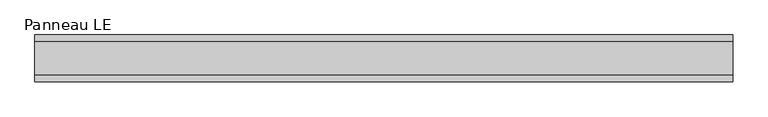
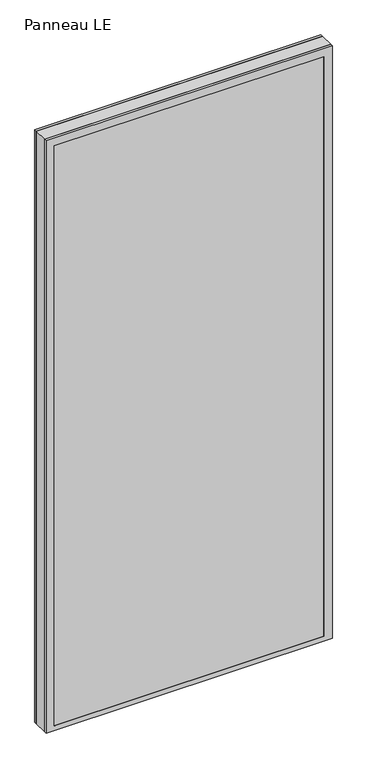
"""IFC4 building model written with IfcOpenShell, lengths in millimetres: plate geometry, Panneau LE."""

from ifc_helpers import new_model, si_unit, frame, origin, place, context, project, spatial, polyline, outline, extrude, faceted_brep, source, transform, mapped, element, save


def panneau_le_68ec12ca(model_context):
    return source(origin(), model_context, "Body", "SolidModel", [
        faceted_brep([(-671.0833334, 33.0, 2933.0), (-671.0833334, 45.0, 2933.0), (-671.0833334, 45.0, 0.0), (-671.0833334, 33.0, 0.0), (671.0833334, 33.0, 0.0), (671.0833334, 45.0, 0.0), (671.0833334, 45.0, 2933.0), (671.0833334, 33.0, 2933.0), (-632.0833334, 45.0, 2894.0), (-632.0833334, 45.0, 23.0), (632.0833334, 45.0, 23.0), (632.0833334, 45.0, 2894.0), (632.0833334, 43.8, 2894.0), (-632.0833334, 43.8, 2894.0), (-647.0833334, 43.8, 2909.0), (-647.0833334, 43.8, 8.0), (647.0833334, 43.8, 8.0), (647.0833334, 43.8, 2909.0), (632.0833334, 43.8, 23.0), (-632.0833334, 43.8, 23.0), (647.0833334, 33.0, 2909.0), (-647.0833334, 33.0, 2909.0), (647.0833334, 33.0, 8.0), (-647.0833334, 33.0, 8.0)], [[[0, 1, 2, 3]], [[4, 5, 6, 7]], [[6, 1, 0, 7]], [[2, 1, 6, 5], [8, 9, 10, 11]], [[8, 11, 12, 13]], [[14, 15, 16, 17], [13, 12, 18, 19]], [[14, 17, 20, 21]], [[0, 3, 4, 7], [20, 22, 23, 21]], [[23, 22, 16, 15]], [[19, 18, 10, 9]], [[4, 3, 2, 5]], [[21, 23, 15, 14]], [[13, 19, 9, 8]], [[18, 12, 11, 10]], [[22, 20, 17, 16]]]),
        faceted_brep([(-671.0833334, -33.0, 0.0), (-671.0833334, -45.0, 0.0), (-671.0833334, -45.0, 2933.0), (-671.0833334, -33.0, 2933.0), (671.0833334, -45.0, 0.0), (671.0833334, -33.0, 0.0), (671.0833334, -33.0, 2933.0), (671.0833334, -45.0, 2933.0), (632.0833334, -45.0, 2894.0), (632.0833334, -45.0, 23.0), (-632.0833334, -45.0, 23.0), (-632.0833334, -45.0, 2894.0), (-647.0833334, -33.0, 2909.0), (-647.0833334, -33.0, 8.0), (647.0833334, -33.0, 8.0), (647.0833334, -33.0, 2909.0), (647.0833334, -43.8, 2909.0), (-647.0833334, -43.8, 2909.0), (647.0833334, -43.8, 8.0), (-647.0833334, -43.8, 8.0), (-632.0833334, -43.8, 2894.0), (-632.0833334, -43.8, 23.0), (632.0833334, -43.8, 23.0), (632.0833334, -43.8, 2894.0)], [[[0, 1, 2, 3]], [[4, 5, 6, 7]], [[2, 1, 4, 7], [8, 9, 10, 11]], [[6, 3, 2, 7]], [[0, 3, 6, 5], [12, 13, 14, 15]], [[12, 15, 16, 17]], [[17, 16, 18, 19], [20, 21, 22, 23]], [[8, 11, 20, 23]], [[10, 9, 22, 21]], [[19, 18, 14, 13]], [[4, 1, 0, 5]], [[11, 10, 21, 20]], [[17, 19, 13, 12]], [[18, 16, 15, 14]], [[9, 8, 23, 22]]]),
        extrude(outline(polyline([(2933.0, 671.0833334), (2933.0, -671.0833334), (0.0, -671.0833334), (0.0, 671.0833334), (2933.0, 671.0833334)]), holes=[polyline([(30.0, -631.0833334), (2887.0, -631.0833334), (2887.0, 631.0833334), (30.0, 631.0833334), (30.0, -631.0833334)])]), frame((0.0, -33.0, 0.0), z_axis=(0.0, 1.0, 0.0), x_axis=(0.0, 0.0, 1.0)), (0.0, 0.0, 1.0), 66.0),
        extrude(outline(polyline([(647.0833334, 37.8), (-647.0833334, 37.8), (-647.0833334, 43.8), (647.0833334, 43.8), (647.0833334, 37.8)])), frame((0.0, 0.0, 8.0), z_axis=(0.0, 0.0, 1.0), x_axis=(1.0, 0.0, 0.0)), (0.0, 0.0, 1.0), 2901.0),
        extrude(outline(polyline([(-647.0833334, -43.8), (-647.0833334, -37.8), (647.0833334, -37.8), (647.0833334, -43.8), (-647.0833334, -43.8)])), frame((0.0, 0.0, 8.0), z_axis=(0.0, 0.0, 1.0), x_axis=(1.0, 0.0, 0.0)), (0.0, 0.0, 1.0), 2901.0),
    ])


if __name__ == "__main__":
    model = new_model("IFC4")
    model_context = context("Model", 3, world=origin())
    ifc_project = project(units=[si_unit("LENGTHUNIT", "METRE", prefix="MILLI")], contexts=[model_context])
    site = spatial("IfcSite", under=ifc_project)
    building = spatial("IfcBuilding", under=site)
    placement = place(None, origin())
    panneau_le_shape = panneau_le_68ec12ca(model_context)
    element("IfcPlate", 1, ObjectType="Panneau LE", at=placement, inside=building, context=model_context, shape_type="MappedRepresentation", body=[
        mapped(panneau_le_shape, transform((0.0, 0.0, 0.0), x_axis=(1.0, 0.0, 0.0), y_axis=(0.0, 1.0, 0.0), z_axis=(0.0, 0.0, 1.0))),
    ])
    save(model, "model.ifc")
